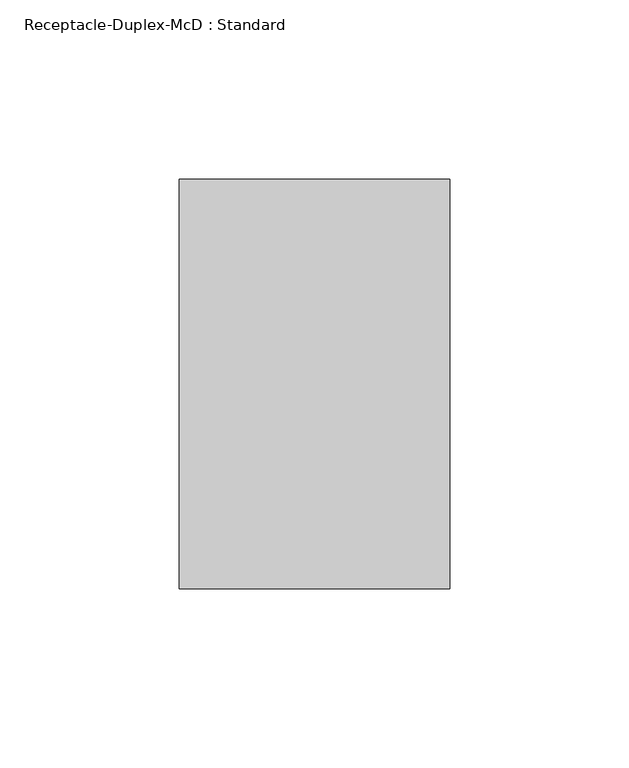
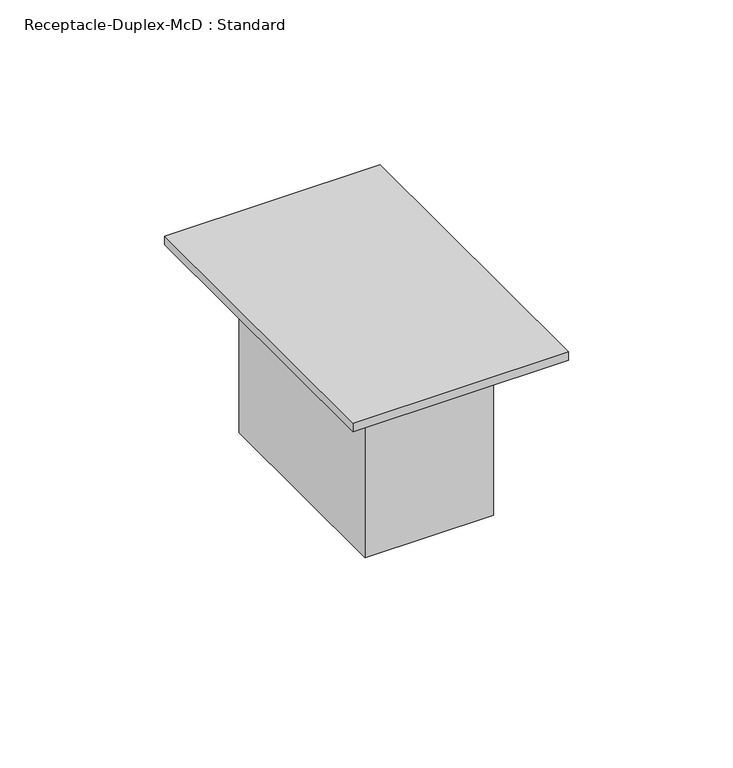
"""IFC4 building model written with IfcOpenShell, lengths in millimetres: proxy geometry, Receptacle-Duplex-McD : Standard."""

from ifc_helpers import new_model, si_unit, frame, origin, origin_with_axes, place, context, project, spatial, polyline, outline, extrude, source, transform, mapped, element, save


def receptacle_duplex_mcd_standard_27e97d8a(model_context):
    return source(origin(), model_context, "Body", "SweptSolid", [
        extrude(outline(polyline([(15.5279254, 12.7), (15.5279254, -12.7), (-9.8720746, -12.7), (-9.8720746, 12.7), (15.5279254, 12.7)])), frame((0.0, 0.0, -25.4), z_axis=(0.0, 0.0, 1.0), x_axis=(1.0, 0.0, 0.0)), (0.0, 0.0, 1.0), 25.4),
        extrude(outline(polyline([(25.4, 38.1), (25.4, -38.1), (-19.7441491, -38.1), (-19.7441491, 38.1), (25.4, 38.1)])), frame((0.0, 0.0, -63.5), z_axis=(0.0, 0.0, 1.0), x_axis=(1.0, 0.0, 0.0)), (0.0, 0.0, 1.0), 63.5),
        extrude(outline(polyline([(40.5808509, 57.15), (40.5808509, -57.15), (-34.925, -57.15), (-34.925, 57.15), (40.5808509, 57.15)])), origin_with_axes(), (0.0, 0.0, 1.0), 3.175),
    ])


if __name__ == "__main__":
    model = new_model("IFC4")
    model_context = context("Model", 3, world=origin())
    ifc_project = project(units=[si_unit("LENGTHUNIT", "METRE", prefix="MILLI")], contexts=[model_context])
    site = spatial("IfcSite", under=ifc_project)
    building = spatial("IfcBuilding", under=site)
    placement = place(None, origin())
    receptacle_duplex_mcd_standard_shape = receptacle_duplex_mcd_standard_27e97d8a(model_context)
    element("IfcBuildingElementProxy", 1, Name="Receptacle-Duplex-McD : Standard", ObjectType="Receptacle-Duplex-McD : Standard", at=placement, inside=building, context=model_context, shape_type="MappedRepresentation", body=[
        mapped(receptacle_duplex_mcd_standard_shape, transform((0.0, 0.0, 0.0), x_axis=(1.0, 0.0, 0.0), y_axis=(0.0, 1.0, 0.0), z_axis=(0.0, 0.0, 1.0))),
    ])
    save(model, "model.ifc")
